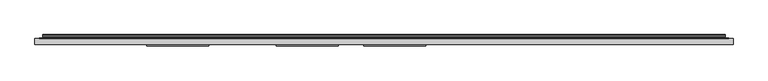
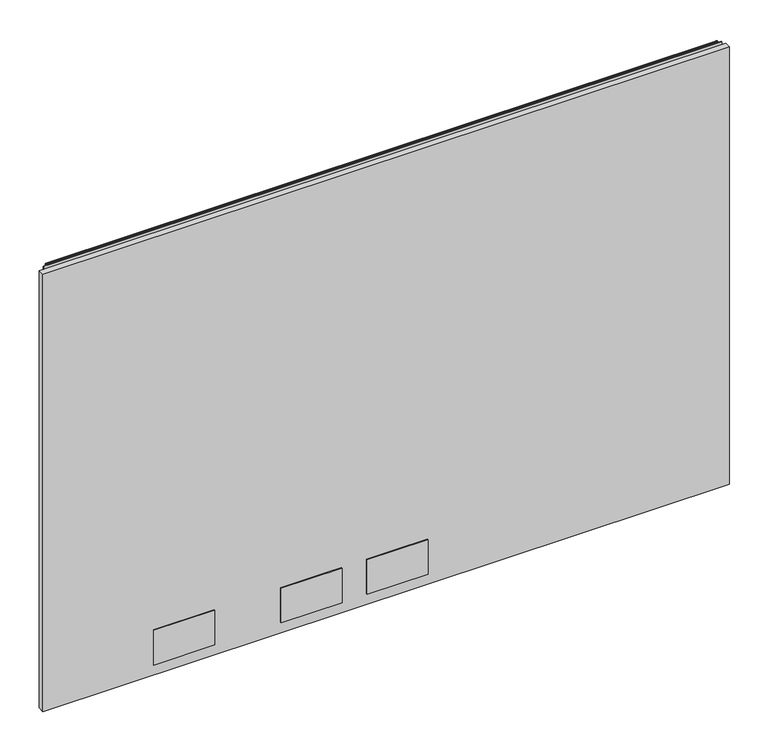
"""IFC4 building model written with IfcOpenShell, lengths in millimetres: furniture geometry."""

from ifc_helpers import new_model, si_unit, point, frame, frame_2d, origin, place, context, project, spatial, polyline, circle_curve, trimmed, segment, composite_curve, outline, extrude, source, transform, mapped, element, save


def furniture_5ba4b742(model_context):
    return source(origin(), model_context, "Body", "SweptSolid", [
        extrude(outline(polyline([(1.778, 1.45288), (1.778, 10.9778796), (1065.0219835, 10.9778796), (1065.0219835, 1.45288), (1.778, 1.45288)])), frame((0.0, 0.0, 16.0528), z_axis=(0.0, 0.0, 1.0), x_axis=(1.0, 0.0, 0.0)), (0.0, 0.0, 1.0), 715.7592871),
        extrude(outline(polyline([(266.572991, -0.57912), (172.3390082, -0.57912), (172.3390082, 1.45288), (266.572991, 1.45288), (266.572991, -0.57912)])), frame((0.0, 0.0, 33.5787996), z_axis=(0.0, 0.0, 1.0), x_axis=(1.0, 0.0, 0.0)), (0.0, 0.0, 1.0), 56.6420005),
        extrude(outline(polyline([(463.422985, -0.57912), (369.188984, -0.57912), (369.188984, 1.45288), (463.422985, 1.45288), (463.422985, -0.57912)])), frame((0.0, 0.0, 33.5787996), z_axis=(0.0, 0.0, 1.0), x_axis=(1.0, 0.0, 0.0)), (0.0, 0.0, 1.0), 56.6420005),
        extrude(outline(polyline([(596.772985, -0.57912), (502.538984, -0.57912), (502.538984, 1.45288), (596.772985, 1.45288), (596.772985, -0.57912)])), frame((0.0, 0.0, 33.5787996), z_axis=(0.0, 0.0, 1.0), x_axis=(1.0, 0.0, 0.0)), (0.0, 0.0, 1.0), 56.6420005),
        extrude(outline(composite_curve([segment(polyline([(10.9778796, 736.2381024), (10.9778796, 737.1805903)]), True, "CONTINUOUS"), segment(trimmed(circle_curve(frame_2d((11.6164846, 737.1805903)), 0.638605), [point((10.9778796, 737.1805903))], [point((11.6164846, 737.8191953))], False, "CARTESIAN"), True, "CONTINUOUS"), segment(polyline([(11.6164846, 737.8191953), (13.251317, 737.8191953)]), True, "CONTINUOUS"), segment(trimmed(circle_curve(frame_2d((13.251317, 735.4458753)), 2.37332), [point((13.251317, 737.8191953))], [point((15.6071079, 735.1579575))], False, "CARTESIAN"), True, "CONTINUOUS"), segment(polyline([(15.6071079, 735.1579575), (15.2080413, 731.8927287)]), True, "CONTINUOUS"), segment(trimmed(circle_curve(frame_2d((17.5068753, 731.6117719)), 2.3159393), [point((15.2080413, 731.8927287))], [point((15.5012134, 730.4538018))], True, "CARTESIAN"), True, "CONTINUOUS"), segment(polyline([(15.5012134, 730.4538018), (16.6600675, 728.4466087), (15.9781592, 728.0529085), (14.819305, 730.0601016)]), True, "CONTINUOUS"), segment(trimmed(circle_curve(frame_2d((17.5068753, 731.6117719)), 3.1033393), [point((14.819305, 730.0601016))], [point((14.4264569, 731.9882516))], False, "CARTESIAN"), True, "CONTINUOUS"), segment(polyline([(14.4264569, 731.9882516), (14.8255236, 735.2534804)]), True, "CONTINUOUS"), segment(trimmed(circle_curve(frame_2d((13.251317, 735.4458753)), 1.58592), [point((14.8255236, 735.2534804))], [point((13.251317, 737.0317953))], True, "CARTESIAN"), True, "CONTINUOUS"), segment(polyline([(13.251317, 737.0317953), (11.7652796, 737.0317953), (11.7652796, 736.2381024), (10.9778796, 736.2381024)]), True, "CONTINUOUS")], self_intersect=False)), frame((13.7160002, 0.0, 0.0), z_axis=(1.0, 0.0, 0.0), x_axis=(0.0, 1.0, 0.0)), (0.0, 0.0, 1.0), 1039.3680076),
        extrude(outline(polyline([(8.1280002, 10.9778796), (8.1280002, 11.7652796), (1058.6720078, 11.7652796), (1058.6720078, 10.9778796), (8.1280002, 10.9778796)])), frame((0.0, 0.0, 705.5612079), z_axis=(0.0, 0.0, 1.0), x_axis=(1.0, 0.0, 0.0)), (0.0, 0.0, 1.0), 30.8009179),
    ])


if __name__ == "__main__":
    model = new_model("IFC4")
    model_context = context("Model", 3, world=origin())
    ifc_project = project(units=[si_unit("LENGTHUNIT", "METRE", prefix="MILLI")], contexts=[model_context])
    site = spatial("IfcSite", under=ifc_project)
    building = spatial("IfcBuilding", under=site)
    placement = place(None, origin())
    furniture_shape = furniture_5ba4b742(model_context)
    element("IfcFurniture", 1, at=placement, inside=building, context=model_context, shape_type="MappedRepresentation", body=[
        mapped(furniture_shape, transform((0.0, 0.0, 0.0), x_axis=(1.0, 0.0, 0.0), y_axis=(0.0, 1.0, 0.0), z_axis=(0.0, 0.0, 1.0))),
    ])
    save(model, "model.ifc")
